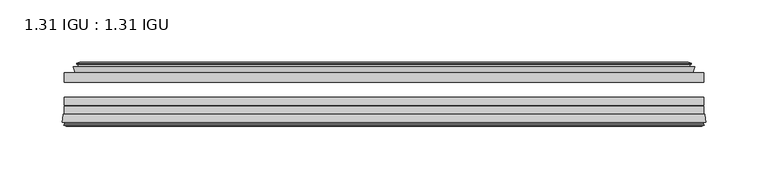
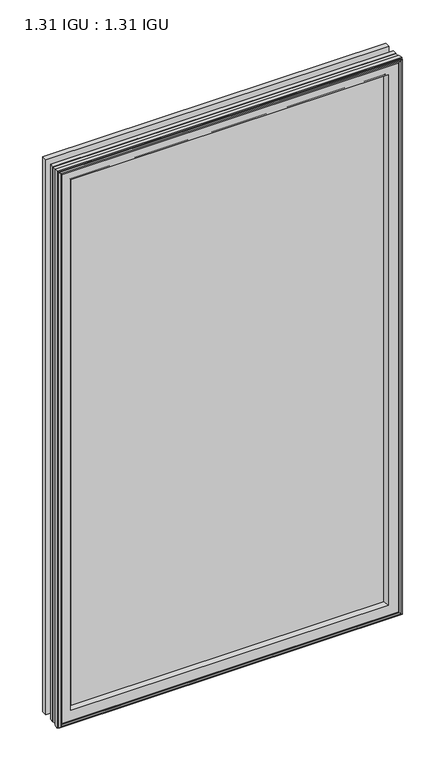
"""IFC4 building model written with IfcOpenShell, lengths in millimetres: plate geometry, 1.31 IGU : 1.31 IGU."""

from ifc_helpers import new_model, si_unit, frame, origin, place, context, project, spatial, polyline, ellipse_curve, outline, extrude, faceted_brep, source, transform, mapped, element, save
from ifc_brep_helpers import plane_surface, revolved_surface, advanced_brep


def plate_1_31_igu_1_31_igu_bbf35528(model_context):
    return source(origin(), model_context, "Body", "SolidModel", [
        extrude(outline(polyline([(256.3312604, -17.9712937), (256.3312604, -25.8960937), (-256.3312604, -25.8960937), (-256.3312604, -17.9712937), (256.3312604, -17.9712937)])), frame((0.0, 0.0, -19.05), z_axis=(0.0, 0.0, 1.0), x_axis=(1.0, 0.0, 0.0)), (0.0, 0.0, 1.0), 876.3),
        extrude(outline(polyline([(-256.3312604, -51.2960937), (-256.3312604, -44.9460937), (256.3312604, -44.9460937), (256.3312604, -51.2960937), (-256.3312604, -51.2960937)])), frame((0.0, 0.0, -19.05), z_axis=(0.0, 0.0, 1.0), x_axis=(1.0, 0.0, 0.0)), (0.0, 0.0, 1.0), 876.3),
        extrude(outline(polyline([(-256.3312604, -44.1586938), (-256.3312604, -37.8086938), (256.3312604, -37.8086938), (256.3312604, -44.1586938), (-256.3312604, -44.1586938)])), frame((0.0, 0.0, -19.05), z_axis=(0.0, 0.0, 1.0), x_axis=(1.0, 0.0, 0.0)), (0.0, 0.0, 1.0), 876.3),
        faceted_brep([(-247.4126608, -17.9712937, 848.3314005), (-249.0568941, -13.1960937, 849.9756337), (-249.0568941, -13.1960937, -11.7756337), (-247.4126608, -17.9712937, -10.1314005), (-237.8019604, -13.1960937, 838.7207), (-236.6325298, -17.9712937, 837.5512695), (-236.6325298, -17.9712937, 0.6487305), (-237.8019604, -13.1960937, -0.5207), (-243.3666806, -10.902778, 844.2854203), (-242.7521885, -13.1960937, 843.6709281), (-242.7521885, -13.1960937, -5.4709281), (-243.3666806, -10.902778, -6.0854203), (-241.9744313, -11.27583, 842.8931709), (-241.9744313, -11.27583, -4.6931709), (-241.743114, -10.4125422, 842.6618537), (-241.743114, -10.4125422, -4.4618537), (-244.1519604, -9.7670937, 845.0707), (-244.1519604, -9.7670937, -6.8707), (-246.5608067, -10.4125422, 847.4795463), (-246.5608067, -10.4125422, -9.2795463), (-246.3294894, -11.27583, 847.2482291), (-246.3294894, -11.27583, -9.0482291), (-244.9426618, -10.9042307, 845.8614014), (-244.9426618, -10.9042307, -7.6614014), (-245.6873332, -13.1960937, 846.6060729), (-245.6873332, -13.1960937, -8.4060729), (249.0568941, -13.1960937, -11.7756337), (247.4126608, -17.9712937, -10.1314005), (236.6325298, -17.9712937, 0.6487305), (237.8019604, -13.1960937, -0.5207), (242.7521885, -13.1960937, -5.4709281), (243.3666806, -10.902778, -6.0854203), (241.9744313, -11.27583, -4.6931709), (241.743114, -10.4125422, -4.4618537), (244.1519604, -9.7670937, -6.8707), (246.5608067, -10.4125422, -9.2795463), (246.3294894, -11.27583, -9.0482291), (244.9426618, -10.9042307, -7.6614014), (245.6873332, -13.1960937, -8.4060729), (249.0568941, -13.1960937, 849.9756337), (247.4126608, -17.9712937, 848.3314005), (236.6325298, -17.9712937, 837.5512695), (237.8019604, -13.1960937, 838.7207), (242.7521885, -13.1960937, 843.6709281), (243.3666806, -10.902778, 844.2854203), (241.9744313, -11.27583, 842.8931709), (241.743114, -10.4125422, 842.6618537), (244.1519604, -9.7670937, 845.0707), (246.5608067, -10.4125422, 847.4795463), (246.3294894, -11.27583, 847.2482291), (244.9426618, -10.9042307, 845.8614014), (245.6873332, -13.1960937, 846.6060729)], [[[0, 1, 2, 3]], [[4, 5, 6, 7]], [[8, 9, 10, 11]], [[12, 8, 11, 13]], [[14, 12, 13, 15]], [[16, 14, 15, 17]], [[18, 16, 17, 19]], [[20, 18, 19, 21]], [[22, 20, 21, 23]], [[24, 22, 23, 25]], [[3, 2, 26, 27]], [[7, 6, 28, 29]], [[11, 10, 30, 31]], [[13, 11, 31, 32]], [[15, 13, 32, 33]], [[17, 15, 33, 34]], [[19, 17, 34, 35]], [[21, 19, 35, 36]], [[23, 21, 36, 37]], [[25, 23, 37, 38]], [[27, 26, 39, 40]], [[29, 28, 41, 42]], [[31, 30, 43, 44]], [[32, 31, 44, 45]], [[33, 32, 45, 46]], [[34, 33, 46, 47]], [[35, 34, 47, 48]], [[36, 35, 48, 49]], [[37, 36, 49, 50]], [[38, 37, 50, 51]], [[40, 39, 1, 0]], [[3, 27, 40, 0], [5, 41, 28, 6]], [[42, 41, 5, 4]], [[9, 43, 30, 10], [7, 29, 42, 4]], [[44, 43, 9, 8]], [[45, 44, 8, 12]], [[46, 45, 12, 14]], [[47, 46, 14, 16]], [[48, 47, 16, 18]], [[49, 48, 18, 20]], [[50, 49, 20, 22]], [[51, 50, 22, 24]], [[1, 39, 26, 2], [25, 38, 51, 24]]]),
        advanced_brep(
        [(-233.6439454, -51.2960937, 834.5626851), (-237.2812604, -57.6460937, 838.2), (-237.2812604, -57.6460937, 0.0), (-233.6439454, -51.2960937, 3.6373149), (-257.9270387, -57.6460937, 858.8457783), (-257.1473567, -51.2960937, 858.0660964), (-257.1473567, -51.2960937, -19.8660964), (-257.9270387, -57.6460937, -20.6457783), (-255.5270348, -59.6558685, 856.4457744), (-255.9860616, -57.6460937, 856.9048013), (-255.9860616, -57.6460937, -18.7048013), (-255.5270348, -59.6558685, -18.2457744), (-256.5107191, -59.3738016, 857.4294588), (-256.5107191, -59.3738016, -19.2294588), (-256.7642036, -60.2578071, 857.6829433), (-256.7642036, -60.2578071, -19.4829433), (-254.7412601, -60.8378768, 855.6599998), (-254.7412601, -60.8378768, -17.4599998), (-252.6975993, -60.2902795, 853.6163389), (-252.6975993, -60.2902795, -15.4163389), (-252.9424686, -59.3764147, 853.8612083), (-252.9424686, -59.3764147, -15.6612083), (-253.9651024, -59.6504286, 854.8838421), (-253.9651024, -59.6504286, -16.6838421), (-253.5023653, -57.6460937, 854.4211049), (-253.5023653, -57.6460937, -16.2211049), (237.2812604, -57.6460938, 0.0), (233.6439454, -51.2960937, 3.6373149), (257.1473567, -51.2960937, -19.8660964), (257.9270387, -57.6460938, -20.6457783), (255.9860616, -57.6460938, -18.7048013), (255.5270348, -59.6558685, -18.2457744), (256.5107191, -59.3738016, -19.2294588), (256.7642036, -60.2578071, -19.4829433), (254.7412601, -60.8378768, -17.4599998), (252.6975993, -60.2902795, -15.4163389), (252.9424686, -59.3764147, -15.6612083), (253.9651024, -59.6504286, -16.6838421), (253.5023653, -57.6460938, -16.2211049), (237.2812604, -57.6460938, 838.2), (233.6439454, -51.2960937, 834.5626851), (257.1473567, -51.2960937, 858.0660964), (257.9270387, -57.6460938, 858.8457783), (255.9860616, -57.6460938, 856.9048013), (255.5270348, -59.6558685, 856.4457744), (256.5107191, -59.3738016, 857.4294588), (256.7642036, -60.2578071, 857.6829433), (254.7412601, -60.8378768, 855.6599998), (252.6975993, -60.2902795, 853.6163389), (252.9424686, -59.3764147, 853.8612083), (253.9651024, -59.6504286, 854.8838421), (253.5023653, -57.6460938, 854.4211049)],
        [
            (0, 1, ellipse_curve(frame((-228.8503153, -58.2586484, 829.769055), z_axis=(0.7071067811865475, 0.0, 0.7071067811865475), x_axis=(0.7071067811865474, 0.0, -0.7071067811865476)), 11.9545855, 8.4531685)),
            (1, 2),
            (2, 3, ellipse_curve(frame((-228.8503153, -58.2586484, 8.430945), z_axis=(0.7071067811865475, 0.0, -0.7071067811865475), x_axis=(-0.7071067811865474, 0.0, -0.7071067811865476)), 11.9545855, 8.4531685)),
            (3, 0),
            (4, 5),
            (5, 6),
            (6, 7),
            (7, 4),
            (8, 9),
            (9, 10),
            (10, 11),
            (11, 8),
            (12, 8),
            (11, 13),
            (13, 12),
            (14, 12),
            (13, 15),
            (15, 14),
            (16, 14),
            (15, 17),
            (17, 16),
            (18, 16),
            (17, 19),
            (19, 18),
            (20, 18),
            (19, 21),
            (21, 20),
            (22, 20),
            (21, 23),
            (23, 22),
            (24, 22),
            (23, 25),
            (25, 24),
            (2, 26),
            (26, 27, ellipse_curve(frame((228.8503153, -58.2586484, 8.430945), z_axis=(0.7071067811865475, 0.0, 0.7071067811865475), x_axis=(0.7071067811865476, 0.0, -0.7071067811865474)), 11.9545855, 8.4531685)),
            (27, 3),
            (6, 28),
            (28, 29),
            (29, 7),
            (10, 30),
            (30, 31),
            (31, 11),
            (31, 32),
            (32, 13),
            (32, 33),
            (33, 15),
            (33, 34),
            (34, 17),
            (34, 35),
            (35, 19),
            (35, 36),
            (36, 21),
            (36, 37),
            (37, 23),
            (37, 38),
            (38, 25),
            (26, 39),
            (39, 40, ellipse_curve(frame((228.8503153, -58.2586484, 829.769055), z_axis=(-0.7071067811865475, 0.0, 0.7071067811865475), x_axis=(0.7071067811865474, 0.0, 0.7071067811865476)), 11.9545855, 8.4531685)),
            (40, 27),
            (28, 41),
            (41, 42),
            (42, 29),
            (30, 43),
            (43, 44),
            (44, 31),
            (44, 45),
            (45, 32),
            (45, 46),
            (46, 33),
            (46, 47),
            (47, 34),
            (47, 48),
            (48, 35),
            (48, 49),
            (49, 36),
            (49, 50),
            (50, 37),
            (50, 51),
            (51, 38),
            (51, 24),
            (1, 39),
            (0, 40),
            (5, 41),
            (4, 42),
            (9, 43),
            (8, 44),
            (12, 45),
            (14, 46),
            (16, 47),
            (18, 48),
            (20, 49),
            (22, 50),
        ],
        [
            revolved_surface(polyline([(-237.3034838, -58.2586484, -0.02222347332440222), (-237.3034838, -58.2586484, 838.2222234733243)]), (-228.8503153, -58.2586484, 869.95), (0.0, 0.0, -1.0)),
            plane_surface(frame((-257.1473567, -51.2960937, 858.0660964), z_axis=(-0.9925461516413234, 0.12186934340513637, 0.0), x_axis=(0.0, 0.0, -1.0))),
            plane_surface(frame((-255.9860616, -57.6460937, 856.9048013), z_axis=(-0.9748953990049445, -0.22266333555165796, 0.0), x_axis=(0.0, 0.0, -1.0))),
            plane_surface(frame((-255.5270348, -59.6558685, 856.4457744), z_axis=(0.27563735581726606, 0.9612616959382424, 0.0), x_axis=(0.0, 0.0, -1.0))),
            plane_surface(frame((-256.5107191, -59.3738016, 857.4294588), z_axis=(-0.9612616959382463, 0.2756373558172523, 0.0), x_axis=(0.0, 0.0, -1.0))),
            plane_surface(frame((-256.7642036, -60.2578071, 857.6829433), z_axis=(-0.2756373558170135, -0.9612616959383148, 0.0), x_axis=(0.0, 0.0, -1.0))),
            plane_surface(frame((-254.7412601, -60.8378768, 855.6599998), z_axis=(0.25881904510226056, -0.965925826289138, 0.0), x_axis=(0.0, 0.0, -1.0))),
            plane_surface(frame((-252.6975993, -60.2902795, 853.6163389), z_axis=(0.9659258262891444, 0.25881904510223736, 0.0), x_axis=(0.0, 0.0, -1.0))),
            plane_surface(frame((-252.9424686, -59.3764147, 853.8612083), z_axis=(-0.2588190451025015, 0.9659258262890735, 0.0), x_axis=(0.0, 0.0, -1.0))),
            plane_surface(frame((-253.9651024, -59.6504286, 854.8838421), z_axis=(0.9743700647852117, -0.22495105434396695, 0.0), x_axis=(0.0, 0.0, -1.0))),
            revolved_surface(polyline([(237.30348377332433, -58.2586484, -0.02222350000000084), (-237.3034837733244, -58.2586484, -0.02222350000000084)]), (-269.0312604, -58.2586484, 8.430945), (1.0, 0.0, 0.0)),
            plane_surface(frame((-257.1473567, -51.2960937, -19.8660964), z_axis=(0.0, 0.12186934340513315, -0.9925461516413239), x_axis=(1.0, 0.0, 0.0))),
            plane_surface(frame((-255.9860616, -57.6460937, -18.7048013), z_axis=(0.0, -0.22266333555166112, -0.9748953990049438), x_axis=(1.0, 0.0, 0.0))),
            plane_surface(frame((-255.5270348, -59.6558685, -18.2457744), z_axis=(0.0, 0.9612616959382433, 0.27563735581726295), x_axis=(1.0, 0.0, 0.0))),
            plane_surface(frame((-256.5107191, -59.3738016, -19.2294588), z_axis=(0.0, 0.2756373558172492, -0.9612616959382472), x_axis=(1.0, 0.0, 0.0))),
            plane_surface(frame((-256.7642036, -60.2578071, -19.4829433), z_axis=(0.0, -0.9612616959383157, -0.2756373558170104), x_axis=(1.0, 0.0, 0.0))),
            plane_surface(frame((-254.7412601, -60.8378768, -17.4599998), z_axis=(0.0, -0.9659258262891373, 0.2588190451022637), x_axis=(1.0, 0.0, 0.0))),
            plane_surface(frame((-252.6975993, -60.2902795, -15.4163389), z_axis=(0.0, 0.25881904510224046, 0.9659258262891435), x_axis=(1.0, 0.0, 0.0))),
            plane_surface(frame((-252.9424686, -59.3764147, -15.6612083), z_axis=(0.0, 0.9659258262890726, -0.2588190451025046), x_axis=(1.0, 0.0, 0.0))),
            plane_surface(frame((-253.9651024, -59.6504286, -16.6838421), z_axis=(0.0, -0.22495105434396379, 0.9743700647852125), x_axis=(1.0, 0.0, 0.0))),
            revolved_surface(polyline([(237.3034838, -58.2586484, 838.2222234733243), (237.3034838, -58.2586484, -0.022223473324370246)]), (228.8503153, -58.2586484, -31.75), (0.0, 0.0, 1.0)),
            plane_surface(frame((257.1473567, -51.2960937, -19.8660964), z_axis=(0.9925461516413243, 0.12186934340512993, 0.0), x_axis=(0.0, 0.0, 1.0))),
            plane_surface(frame((255.9860616, -57.6460938, -18.7048013), z_axis=(0.9748953990049432, -0.2226633355516643, 0.0), x_axis=(0.0, 0.0, 1.0))),
            plane_surface(frame((255.5270348, -59.6558685, -18.2457744), z_axis=(-0.27563735581725984, 0.9612616959382442, 0.0), x_axis=(0.0, 0.0, 1.0))),
            plane_surface(frame((256.5107191, -59.3738016, -19.2294588), z_axis=(0.9612616959382481, 0.2756373558172461, 0.0), x_axis=(0.0, 0.0, 1.0))),
            plane_surface(frame((256.7642036, -60.2578071, -19.4829433), z_axis=(0.27563735581700727, -0.9612616959383166, 0.0), x_axis=(0.0, 0.0, 1.0))),
            plane_surface(frame((254.7412601, -60.8378768, -17.4599998), z_axis=(-0.25881904510226683, -0.9659258262891364, 0.0), x_axis=(0.0, 0.0, 1.0))),
            plane_surface(frame((252.6975993, -60.2902795, -15.4163389), z_axis=(-0.9659258262891426, 0.2588190451022436, 0.0), x_axis=(0.0, 0.0, 1.0))),
            plane_surface(frame((252.9424686, -59.3764147, -15.6612083), z_axis=(0.2588190451025077, 0.9659258262890718, 0.0), x_axis=(0.0, 0.0, 1.0))),
            plane_surface(frame((253.9651024, -59.6504286, -16.6838421), z_axis=(-0.9743700647852133, -0.22495105434396062, 0.0), x_axis=(0.0, 0.0, 1.0))),
            plane_surface(frame((253.5023653, -57.6460938, 854.4211049), z_axis=(0.0, -1.0, 0.0), x_axis=(-1.0, 0.0, 0.0))),
            revolved_surface(polyline([(-237.30348377332433, -58.2586484, 838.2222234999999), (237.3034837733244, -58.2586484, 838.2222234999999)]), (269.0312604, -58.2586484, 829.769055), (-1.0, 0.0, 0.0)),
            plane_surface(frame((233.6439454, -51.2960937, 834.5626851), z_axis=(0.0, 1.0, 0.0), x_axis=(-1.0, 0.0, 0.0))),
            plane_surface(frame((257.1473567, -51.2960937, 858.0660964), z_axis=(0.0, 0.12186934340513315, 0.9925461516413239), x_axis=(-1.0, 0.0, 0.0))),
            plane_surface(frame((257.9270387, -57.6460938, 858.8457783), z_axis=(0.0, -1.0, 0.0), x_axis=(-1.0, 0.0, 0.0))),
            plane_surface(frame((255.9860616, -57.6460938, 856.9048013), z_axis=(0.0, -0.22266333555166112, 0.9748953990049438), x_axis=(-1.0, 0.0, 0.0))),
            plane_surface(frame((255.5270348, -59.6558685, 856.4457744), z_axis=(0.0, 0.9612616959382433, -0.27563735581726295), x_axis=(-1.0, 0.0, 0.0))),
            plane_surface(frame((256.5107191, -59.3738016, 857.4294588), z_axis=(0.0, 0.2756373558172492, 0.9612616959382472), x_axis=(-1.0, 0.0, 0.0))),
            plane_surface(frame((256.7642036, -60.2578071, 857.6829433), z_axis=(0.0, -0.9612616959383157, 0.2756373558170104), x_axis=(-1.0, 0.0, 0.0))),
            plane_surface(frame((254.7412601, -60.8378768, 855.6599998), z_axis=(0.0, -0.9659258262891373, -0.2588190451022637), x_axis=(-1.0, 0.0, 0.0))),
            plane_surface(frame((252.6975993, -60.2902795, 853.6163389), z_axis=(0.0, 0.25881904510224046, -0.9659258262891435), x_axis=(-1.0, 0.0, 0.0))),
            plane_surface(frame((252.9424686, -59.3764147, 853.8612083), z_axis=(0.0, 0.9659258262890726, 0.2588190451025046), x_axis=(-1.0, 0.0, 0.0))),
            plane_surface(frame((253.9651024, -59.6504286, 854.8838421), z_axis=(0.0, -0.22495105434396379, -0.9743700647852125), x_axis=(-1.0, 0.0, 0.0))),
        ],
        [
            (0, [[1, 2, 3, 4]]),
            (1, [[5, 6, 7, 8]]),
            (2, [[9, 10, 11, 12]]),
            (3, [[13, -12, 14, 15]]),
            (4, [[16, -15, 17, 18]]),
            (5, [[19, -18, 20, 21]]),
            (6, [[22, -21, 23, 24]]),
            (7, [[25, -24, 26, 27]]),
            (8, [[28, -27, 29, 30]]),
            (9, [[31, -30, 32, 33]]),
            (10, [[-3, 34, 35, 36]]),
            (11, [[-7, 37, 38, 39]]),
            (12, [[-11, 40, 41, 42]]),
            (13, [[-14, -42, 43, 44]]),
            (14, [[-17, -44, 45, 46]]),
            (15, [[-20, -46, 47, 48]]),
            (16, [[-23, -48, 49, 50]]),
            (17, [[-26, -50, 51, 52]]),
            (18, [[-29, -52, 53, 54]]),
            (19, [[-32, -54, 55, 56]]),
            (20, [[-35, 57, 58, 59]]),
            (21, [[-38, 60, 61, 62]]),
            (22, [[-41, 63, 64, 65]]),
            (23, [[-43, -65, 66, 67]]),
            (24, [[-45, -67, 68, 69]]),
            (25, [[-47, -69, 70, 71]]),
            (26, [[-49, -71, 72, 73]]),
            (27, [[-51, -73, 74, 75]]),
            (28, [[-53, -75, 76, 77]]),
            (29, [[-55, -77, 78, 79]]),
            (30, [[-56, -79, 80, -33], [81, -57, -34, -2]]),
            (31, [[-58, -81, -1, 82]]),
            (32, [[83, -60, -37, -6], [-36, -59, -82, -4]]),
            (33, [[-61, -83, -5, 84]]),
            (34, [[-39, -62, -84, -8], [85, -63, -40, -10]]),
            (35, [[-64, -85, -9, 86]]),
            (36, [[-66, -86, -13, 87]]),
            (37, [[-68, -87, -16, 88]]),
            (38, [[-70, -88, -19, 89]]),
            (39, [[-72, -89, -22, 90]]),
            (40, [[-74, -90, -25, 91]]),
            (41, [[-76, -91, -28, 92]]),
            (42, [[-78, -92, -31, -80]]),
        ],
    ),
    ])


if __name__ == "__main__":
    model = new_model("IFC4")
    model_context = context("Model", 3, world=origin())
    ifc_project = project(units=[si_unit("LENGTHUNIT", "METRE", prefix="MILLI")], contexts=[model_context])
    site = spatial("IfcSite", under=ifc_project)
    building = spatial("IfcBuilding", under=site)
    placement = place(None, origin())
    plate_1_31_igu_1_31_igu_shape = plate_1_31_igu_1_31_igu_bbf35528(model_context)
    element("IfcPlate", 1, ObjectType="1.31 IGU : 1.31 IGU", at=placement, inside=building, context=model_context, shape_type="MappedRepresentation", body=[
        mapped(plate_1_31_igu_1_31_igu_shape, transform((0.0, 0.0, 0.0), x_axis=(1.0, 0.0, 0.0), y_axis=(0.0, 1.0, 0.0), z_axis=(0.0, 0.0, 1.0))),
    ])
    save(model, "model.ifc")
